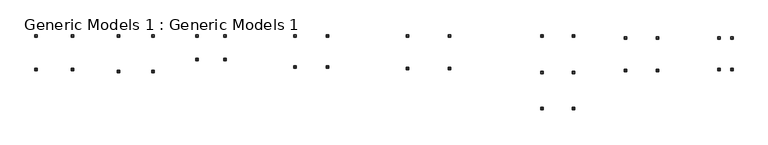
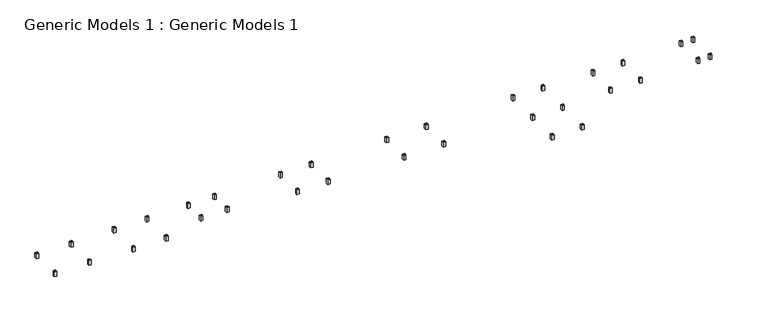
"""IFC4 building model written with IfcOpenShell, lengths in millimetres: proxy geometry, Generic Models 1 : Generic Models 1."""

from ifc_helpers import new_model, si_unit, frame, origin, place, context, project, spatial, polyline, outline, extrude, source, transform, mapped, element, save


def generic_models_1_generic_models_1_7494584e(model_context):
    return source(origin(), model_context, "Body", "SweptSolid", [
        extrude(outline(polyline([(113567.1095298, 32830.4004512), (113567.1095298, 33338.4004512), (114075.1095298, 33338.4004512), (114075.1095298, 32830.4004512), (113567.1095298, 32830.4004512)]), holes=[polyline([(113973.5095298, 32930.7504512), (113973.5095298, 32946.1504512), (113826.0595298, 32946.1504512), (113826.0595298, 33222.6504512), (113973.5095298, 33222.6504512), (113973.5095298, 33238.0504512), (113668.7095298, 33238.0504512), (113668.7095298, 33222.6504512), (113816.1595298, 33222.6504512), (113816.1595298, 32946.1504512), (113668.7095298, 32946.1504512), (113668.7095298, 32930.7504512), (113973.5095298, 32930.7504512)])]), frame((0.0, 0.0, -1851.0), z_axis=(0.0, 0.0, 1.0), x_axis=(1.0, 0.0, 0.0)), (0.0, 0.0, 1.0), 1093.1),
        extrude(outline(polyline([(113567.1095298, 39212.6754512), (113567.1095298, 39720.6754512), (114075.1095298, 39720.6754512), (114075.1095298, 39212.6754512), (113567.1095298, 39212.6754512)]), holes=[polyline([(113973.5095298, 39313.0254512), (113973.5095298, 39328.4254512), (113826.0595298, 39328.4254512), (113826.0595298, 39604.9254512), (113973.5095298, 39604.9254512), (113973.5095298, 39620.3254512), (113668.7095298, 39620.3254512), (113668.7095298, 39604.9254512), (113816.1595298, 39604.9254512), (113816.1595298, 39328.4254512), (113668.7095298, 39328.4254512), (113668.7095298, 39313.0254512), (113973.5095298, 39313.0254512)])]), frame((0.0, 0.0, -1851.0), z_axis=(0.0, 0.0, 1.0), x_axis=(1.0, 0.0, 0.0)), (0.0, 0.0, 1.0), 1093.1),
        extrude(outline(polyline([(116169.259313, 32830.4004512), (116169.259313, 33338.4004512), (116677.259313, 33338.4004512), (116677.259313, 32830.4004512), (116169.259313, 32830.4004512)]), holes=[polyline([(116575.659313, 32930.7504512), (116575.659313, 32946.1504512), (116428.209313, 32946.1504512), (116428.209313, 33222.6504512), (116575.659313, 33222.6504512), (116575.659313, 33238.0504512), (116270.859313, 33238.0504512), (116270.859313, 33222.6504512), (116418.309313, 33222.6504512), (116418.309313, 32946.1504512), (116270.859313, 32946.1504512), (116270.859313, 32930.7504512), (116575.659313, 32930.7504512)])]), frame((0.0, 0.0, -1851.0), z_axis=(0.0, 0.0, 1.0), x_axis=(1.0, 0.0, 0.0)), (0.0, 0.0, 1.0), 1093.1),
        extrude(outline(polyline([(116168.2938188, 39212.6754512), (116168.2938188, 39720.6754512), (116676.2938188, 39720.6754512), (116676.2938188, 39212.6754512), (116168.2938188, 39212.6754512)]), holes=[polyline([(116574.6938188, 39313.0254512), (116574.6938188, 39328.4254512), (116427.2438188, 39328.4254512), (116427.2438188, 39604.9254512), (116574.6938188, 39604.9254512), (116574.6938188, 39620.3254512), (116269.8938188, 39620.3254512), (116269.8938188, 39604.9254512), (116417.3438188, 39604.9254512), (116417.3438188, 39328.4254512), (116269.8938188, 39328.4254512), (116269.8938188, 39313.0254512), (116574.6938188, 39313.0254512)])]), frame((0.0, 0.0, -1851.0), z_axis=(0.0, 0.0, 1.0), x_axis=(1.0, 0.0, 0.0)), (0.0, 0.0, 1.0), 1093.1),
        extrude(outline(polyline([(94514.7730505, 32668.3351495), (94514.7730505, 33176.3351495), (95022.7730505, 33176.3351495), (95022.7730505, 32668.3351495), (94514.7730505, 32668.3351495)]), holes=[polyline([(94921.1730505, 32768.6851495), (94921.1730505, 32784.0851495), (94773.7230505, 32784.0851495), (94773.7230505, 33060.5851495), (94921.1730505, 33060.5851495), (94921.1730505, 33075.9851495), (94616.3730505, 33075.9851495), (94616.3730505, 33060.5851495), (94763.8230505, 33060.5851495), (94763.8230505, 32784.0851495), (94616.3730505, 32784.0851495), (94616.3730505, 32768.6851495), (94921.1730505, 32768.6851495)])]), frame((0.0, 0.0, -1851.0), z_axis=(0.0, 0.0, 1.0), x_axis=(1.0, 0.0, 0.0)), (0.0, 0.0, 1.0), 1093.1),
        extrude(outline(polyline([(94514.7730505, 39212.6754512), (94514.7730505, 39720.6754512), (95022.7730505, 39720.6754512), (95022.7730505, 39212.6754512), (94514.7730505, 39212.6754512)]), holes=[polyline([(94921.1730505, 39313.0254512), (94921.1730505, 39328.4254512), (94773.7230505, 39328.4254512), (94773.7230505, 39604.9254512), (94921.1730505, 39604.9254512), (94921.1730505, 39620.3254512), (94616.3730505, 39620.3254512), (94616.3730505, 39604.9254512), (94763.8230505, 39604.9254512), (94763.8230505, 39328.4254512), (94616.3730505, 39328.4254512), (94616.3730505, 39313.0254512), (94921.1730505, 39313.0254512)])]), frame((0.0, 0.0, -1851.0), z_axis=(0.0, 0.0, 1.0), x_axis=(1.0, 0.0, 0.0)), (0.0, 0.0, 1.0), 1093.1),
        extrude(outline(polyline([(100994.3135447, 32668.3351495), (100994.3135447, 33176.3351495), (101502.3135447, 33176.3351495), (101502.3135447, 32668.3351495), (100994.3135447, 32668.3351495)]), holes=[polyline([(101400.7135447, 32768.6851495), (101400.7135447, 32784.0851495), (101253.2635447, 32784.0851495), (101253.2635447, 33060.5851495), (101400.7135447, 33060.5851495), (101400.7135447, 33075.9851495), (101095.9135447, 33075.9851495), (101095.9135447, 33060.5851495), (101243.3635447, 33060.5851495), (101243.3635447, 32784.0851495), (101095.9135447, 32784.0851495), (101095.9135447, 32768.6851495), (101400.7135447, 32768.6851495)])]), frame((0.0, 0.0, -1851.0), z_axis=(0.0, 0.0, 1.0), x_axis=(1.0, 0.0, 0.0)), (0.0, 0.0, 1.0), 1093.1),
        extrude(outline(polyline([(100993.3480505, 39212.6754512), (100993.3480505, 39720.6754512), (101501.3480505, 39720.6754512), (101501.3480505, 39212.6754512), (100993.3480505, 39212.6754512)]), holes=[polyline([(101399.7480505, 39313.0254512), (101399.7480505, 39328.4254512), (101252.2980505, 39328.4254512), (101252.2980505, 39604.9254512), (101399.7480505, 39604.9254512), (101399.7480505, 39620.3254512), (101094.9480505, 39620.3254512), (101094.9480505, 39604.9254512), (101242.3980505, 39604.9254512), (101242.3980505, 39328.4254512), (101094.9480505, 39328.4254512), (101094.9480505, 39313.0254512), (101399.7480505, 39313.0254512)])]), frame((0.0, 0.0, -1851.0), z_axis=(0.0, 0.0, 1.0), x_axis=(1.0, 0.0, 0.0)), (0.0, 0.0, 1.0), 1093.1),
        extrude(outline(polyline([(77446.4191379, 32266.9274513), (77446.4191379, 32774.9274513), (77954.4191379, 32774.9274513), (77954.4191379, 32266.9274513), (77446.4191379, 32266.9274513)]), holes=[polyline([(77852.8191379, 32367.2774513), (77852.8191379, 32382.6774513), (77705.3691379, 32382.6774513), (77705.3691379, 32659.1774513), (77852.8191379, 32659.1774513), (77852.8191379, 32674.5774513), (77548.0191379, 32674.5774513), (77548.0191379, 32659.1774513), (77695.4691379, 32659.1774513), (77695.4691379, 32382.6774513), (77548.0191379, 32382.6774513), (77548.0191379, 32367.2774513), (77852.8191379, 32367.2774513)])]), frame((0.0, 0.0, -1851.0), z_axis=(0.0, 0.0, 1.0), x_axis=(1.0, 0.0, 0.0)), (0.0, 0.0, 1.0), 1093.1),
        extrude(outline(polyline([(77446.4191379, 39637.2254512), (77446.4191379, 40145.2254512), (77954.4191379, 40145.2254512), (77954.4191379, 39637.2254512), (77446.4191379, 39637.2254512)]), holes=[polyline([(77852.8191379, 39737.5754512), (77852.8191379, 39752.9754512), (77705.3691379, 39752.9754512), (77705.3691379, 40029.4754512), (77852.8191379, 40029.4754512), (77852.8191379, 40044.8754512), (77548.0191379, 40044.8754512), (77548.0191379, 40029.4754512), (77695.4691379, 40029.4754512), (77695.4691379, 39752.9754512), (77548.0191379, 39752.9754512), (77548.0191379, 39737.5754512), (77852.8191379, 39737.5754512)])]), frame((0.0, 0.0, -1851.0), z_axis=(0.0, 0.0, 1.0), x_axis=(1.0, 0.0, 0.0)), (0.0, 0.0, 1.0), 1093.1),
        extrude(outline(polyline([(83925.0566379, 32266.9274513), (83925.0566379, 32774.9274513), (84433.0566379, 32774.9274513), (84433.0566379, 32266.9274513), (83925.0566379, 32266.9274513)]), holes=[polyline([(84331.4566379, 32367.2774513), (84331.4566379, 32382.6774513), (84184.0066379, 32382.6774513), (84184.0066379, 32659.1774513), (84331.4566379, 32659.1774513), (84331.4566379, 32674.5774513), (84026.6566379, 32674.5774513), (84026.6566379, 32659.1774513), (84174.1066379, 32659.1774513), (84174.1066379, 32382.6774513), (84026.6566379, 32382.6774513), (84026.6566379, 32367.2774513), (84331.4566379, 32367.2774513)])]), frame((0.0, 0.0, -1851.0), z_axis=(0.0, 0.0, 1.0), x_axis=(1.0, 0.0, 0.0)), (0.0, 0.0, 1.0), 1093.1),
        extrude(outline(polyline([(83925.0566379, 39637.2254512), (83925.0566379, 40145.2254512), (84433.0566379, 40145.2254512), (84433.0566379, 39637.2254512), (83925.0566379, 39637.2254512)]), holes=[polyline([(84331.4566379, 39737.5754512), (84331.4566379, 39752.9754512), (84184.0066379, 39752.9754512), (84184.0066379, 40029.4754512), (84331.4566379, 40029.4754512), (84331.4566379, 40044.8754512), (84026.6566379, 40044.8754512), (84026.6566379, 40029.4754512), (84174.1066379, 40029.4754512), (84174.1066379, 39752.9754512), (84026.6566379, 39752.9754512), (84026.6566379, 39737.5754512), (84331.4566379, 39737.5754512)])]), frame((0.0, 0.0, -1851.0), z_axis=(0.0, 0.0, 1.0), x_axis=(1.0, 0.0, 0.0)), (0.0, 0.0, 1.0), 1093.1),
        extrude(outline(polyline([(77446.4191379, 24896.6294514), (77446.4191379, 25404.6294514), (77954.4191379, 25404.6294514), (77954.4191379, 24896.6294514), (77446.4191379, 24896.6294514)]), holes=[polyline([(77852.8191379, 24996.9794514), (77852.8191379, 25012.3794514), (77705.3691379, 25012.3794514), (77705.3691379, 25288.8794514), (77852.8191379, 25288.8794514), (77852.8191379, 25304.2794514), (77548.0191379, 25304.2794514), (77548.0191379, 25288.8794514), (77695.4691379, 25288.8794514), (77695.4691379, 25012.3794514), (77548.0191379, 25012.3794514), (77548.0191379, 24996.9794514), (77852.8191379, 24996.9794514)])]), frame((0.0, 0.0, -1851.0), z_axis=(0.0, 0.0, 1.0), x_axis=(1.0, 0.0, 0.0)), (0.0, 0.0, 1.0), 1093.1),
        extrude(outline(polyline([(83925.0566379, 24896.6294514), (83925.0566379, 25404.6294514), (84433.0566379, 25404.6294514), (84433.0566379, 24896.6294514), (83925.0566379, 24896.6294514)]), holes=[polyline([(84331.4566379, 24996.9794514), (84331.4566379, 25012.3794514), (84184.0066379, 25012.3794514), (84184.0066379, 25288.8794514), (84331.4566379, 25288.8794514), (84331.4566379, 25304.2794514), (84026.6566379, 25304.2794514), (84026.6566379, 25288.8794514), (84174.1066379, 25288.8794514), (84174.1066379, 25012.3794514), (84026.6566379, 25012.3794514), (84026.6566379, 24996.9794514), (84331.4566379, 24996.9794514)])]), frame((0.0, 0.0, -1851.0), z_axis=(0.0, 0.0, 1.0), x_axis=(1.0, 0.0, 0.0)), (0.0, 0.0, 1.0), 1093.1),
        extrude(outline(polyline([(50083.376291, 33072.2129511), (50083.376291, 33580.2129511), (50591.376291, 33580.2129511), (50591.376291, 33072.2129511), (50083.376291, 33072.2129511)]), holes=[polyline([(50489.776291, 33172.5629511), (50489.776291, 33187.9629511), (50342.326291, 33187.9629511), (50342.326291, 33464.4629511), (50489.776291, 33464.4629511), (50489.776291, 33479.8629511), (50184.976291, 33479.8629511), (50184.976291, 33464.4629511), (50332.426291, 33464.4629511), (50332.426291, 33187.9629511), (50184.976291, 33187.9629511), (50184.976291, 33172.5629511), (50489.776291, 33172.5629511)])]), frame((0.0, 0.0, -1851.0), z_axis=(0.0, 0.0, 1.0), x_axis=(1.0, 0.0, 0.0)), (0.0, 0.0, 1.0), 1093.1),
        extrude(outline(polyline([(50083.376291, 39621.3504512), (50083.376291, 40129.3504512), (50591.376291, 40129.3504512), (50591.376291, 39621.3504512), (50083.376291, 39621.3504512)]), holes=[polyline([(50489.776291, 39721.7004512), (50489.776291, 39737.1004512), (50342.326291, 39737.1004512), (50342.326291, 40013.6004512), (50489.776291, 40013.6004512), (50489.776291, 40029.0004512), (50184.976291, 40029.0004512), (50184.976291, 40013.6004512), (50332.426291, 40013.6004512), (50332.426291, 39737.1004512), (50184.976291, 39737.1004512), (50184.976291, 39721.7004512), (50489.776291, 39721.7004512)])]), frame((0.0, 0.0, -1851.0), z_axis=(0.0, 0.0, 1.0), x_axis=(1.0, 0.0, 0.0)), (0.0, 0.0, 1.0), 1093.1),
        extrude(outline(polyline([(58657.319788, 33072.2129511), (58657.319788, 33580.2129511), (59165.319788, 33580.2129511), (59165.319788, 33072.2129511), (58657.319788, 33072.2129511)]), holes=[polyline([(59063.719788, 33172.5629511), (59063.719788, 33187.9629511), (58916.269788, 33187.9629511), (58916.269788, 33464.4629511), (59063.719788, 33464.4629511), (59063.719788, 33479.8629511), (58758.919788, 33479.8629511), (58758.919788, 33464.4629511), (58906.369788, 33464.4629511), (58906.369788, 33187.9629511), (58758.919788, 33187.9629511), (58758.919788, 33172.5629511), (59063.719788, 33172.5629511)])]), frame((0.0, 0.0, -1851.0), z_axis=(0.0, 0.0, 1.0), x_axis=(1.0, 0.0, 0.0)), (0.0, 0.0, 1.0), 1093.1),
        extrude(outline(polyline([(58657.319788, 39621.3504512), (58657.319788, 40129.3504512), (59165.319788, 40129.3504512), (59165.319788, 39621.3504512), (58657.319788, 39621.3504512)]), holes=[polyline([(59063.719788, 39721.7004512), (59063.719788, 39737.1004512), (58916.269788, 39737.1004512), (58916.269788, 40013.6004512), (59063.719788, 40013.6004512), (59063.719788, 40029.0004512), (58758.919788, 40029.0004512), (58758.919788, 40013.6004512), (58906.369788, 40013.6004512), (58906.369788, 39737.1004512), (58758.919788, 39737.1004512), (58758.919788, 39721.7004512), (59063.719788, 39721.7004512)])]), frame((0.0, 0.0, -1851.0), z_axis=(0.0, 0.0, 1.0), x_axis=(1.0, 0.0, 0.0)), (0.0, 0.0, 1.0), 1093.1),
        extrude(outline(polyline([(27137.1132687, 33316.8629511), (27137.1132687, 33824.8629511), (27645.1132687, 33824.8629511), (27645.1132687, 33316.8629511), (27137.1132687, 33316.8629511)]), holes=[polyline([(27543.5132687, 33417.2129511), (27543.5132687, 33432.6129511), (27396.0632687, 33432.6129511), (27396.0632687, 33709.1129511), (27543.5132687, 33709.1129511), (27543.5132687, 33724.5129511), (27238.7132687, 33724.5129511), (27238.7132687, 33709.1129511), (27386.1632687, 33709.1129511), (27386.1632687, 33432.6129511), (27238.7132687, 33432.6129511), (27238.7132687, 33417.2129511), (27543.5132687, 33417.2129511)])]), frame((0.0, 0.0, -1851.0), z_axis=(0.0, 0.0, 1.0), x_axis=(1.0, 0.0, 0.0)), (0.0, 0.0, 1.0), 1093.1),
        extrude(outline(polyline([(27137.1132687, 39631.6061881), (27137.1132687, 40139.6061881), (27645.1132687, 40139.6061881), (27645.1132687, 39631.6061881), (27137.1132687, 39631.6061881)]), holes=[polyline([(27543.5132687, 39731.9561881), (27543.5132687, 39747.3561881), (27396.0632687, 39747.3561881), (27396.0632687, 40023.8561881), (27543.5132687, 40023.8561881), (27543.5132687, 40039.2561881), (27238.7132687, 40039.2561881), (27238.7132687, 40023.8561881), (27386.1632687, 40023.8561881), (27386.1632687, 39747.3561881), (27238.7132687, 39747.3561881), (27238.7132687, 39731.9561881), (27543.5132687, 39731.9561881)])]), frame((0.0, 0.0, -1851.0), z_axis=(0.0, 0.0, 1.0), x_axis=(1.0, 0.0, 0.0)), (0.0, 0.0, 1.0), 1093.1),
        extrude(outline(polyline([(33784.8725402, 33316.8629511), (33784.8725402, 33824.8629511), (34292.8725402, 33824.8629511), (34292.8725402, 33316.8629511), (33784.8725402, 33316.8629511)]), holes=[polyline([(34191.2725402, 33417.2129511), (34191.2725402, 33432.6129511), (34043.8225402, 33432.6129511), (34043.8225402, 33709.1129511), (34191.2725402, 33709.1129511), (34191.2725402, 33724.5129511), (33886.4725402, 33724.5129511), (33886.4725402, 33709.1129511), (34033.9225402, 33709.1129511), (34033.9225402, 33432.6129511), (33886.4725402, 33432.6129511), (33886.4725402, 33417.2129511), (34191.2725402, 33417.2129511)])]), frame((0.0, 0.0, -1851.0), z_axis=(0.0, 0.0, 1.0), x_axis=(1.0, 0.0, 0.0)), (0.0, 0.0, 1.0), 1093.1),
        extrude(outline(polyline([(33784.8725402, 39632.7561881), (33784.8725402, 40140.7561881), (34292.8725402, 40140.7561881), (34292.8725402, 39632.7561881), (33784.8725402, 39632.7561881)]), holes=[polyline([(34191.2725402, 39733.1061881), (34191.2725402, 39748.5061881), (34043.8225402, 39748.5061881), (34043.8225402, 40025.0061881), (34191.2725402, 40025.0061881), (34191.2725402, 40040.4061881), (33886.4725402, 40040.4061881), (33886.4725402, 40025.0061881), (34033.9225402, 40025.0061881), (34033.9225402, 39748.5061881), (33886.4725402, 39748.5061881), (33886.4725402, 39733.1061881), (34191.2725402, 39733.1061881)])]), frame((0.0, 0.0, -1851.0), z_axis=(0.0, 0.0, 1.0), x_axis=(1.0, 0.0, 0.0)), (0.0, 0.0, 1.0), 1093.1),
        extrude(outline(polyline([(7175.6976331, 34879.5254512), (7175.6976331, 35387.5254512), (7683.6976331, 35387.5254512), (7683.6976331, 34879.5254512), (7175.6976331, 34879.5254512)]), holes=[polyline([(7582.0976331, 34979.8754512), (7582.0976331, 34995.2754512), (7434.6476331, 34995.2754512), (7434.6476331, 35271.7754512), (7582.0976331, 35271.7754512), (7582.0976331, 35287.1754512), (7277.2976331, 35287.1754512), (7277.2976331, 35271.7754512), (7424.7476331, 35271.7754512), (7424.7476331, 34995.2754512), (7277.2976331, 34995.2754512), (7277.2976331, 34979.8754512), (7582.0976331, 34979.8754512)])]), frame((0.0, 0.0, -1851.0), z_axis=(0.0, 0.0, 1.0), x_axis=(1.0, 0.0, 0.0)), (0.0, 0.0, 1.0), 1093.1),
        extrude(outline(polyline([(7175.6976331, 39631.6061881), (7175.6976331, 40139.6061881), (7683.6976331, 40139.6061881), (7683.6976331, 39631.6061881), (7175.6976331, 39631.6061881)]), holes=[polyline([(7582.0976331, 39731.9561881), (7582.0976331, 39747.3561881), (7434.6476331, 39747.3561881), (7434.6476331, 40023.8561881), (7582.0976331, 40023.8561881), (7582.0976331, 40039.2561881), (7277.2976331, 40039.2561881), (7277.2976331, 40023.8561881), (7424.7476331, 40023.8561881), (7424.7476331, 39747.3561881), (7277.2976331, 39747.3561881), (7277.2976331, 39731.9561881), (7582.0976331, 39731.9561881)])]), frame((0.0, 0.0, -1851.0), z_axis=(0.0, 0.0, 1.0), x_axis=(1.0, 0.0, 0.0)), (0.0, 0.0, 1.0), 1093.1),
        extrude(outline(polyline([(12839.0318324, 34879.5254512), (12839.0318324, 35387.5254512), (13347.0318324, 35387.5254512), (13347.0318324, 34879.5254512), (12839.0318324, 34879.5254512)]), holes=[polyline([(13245.4318324, 34979.8754512), (13245.4318324, 34995.2754512), (13097.9818324, 34995.2754512), (13097.9818324, 35271.7754512), (13245.4318324, 35271.7754512), (13245.4318324, 35287.1754512), (12940.6318324, 35287.1754512), (12940.6318324, 35271.7754512), (13088.0818324, 35271.7754512), (13088.0818324, 34995.2754512), (12940.6318324, 34995.2754512), (12940.6318324, 34979.8754512), (13245.4318324, 34979.8754512)])]), frame((0.0, 0.0, -1851.0), z_axis=(0.0, 0.0, 1.0), x_axis=(1.0, 0.0, 0.0)), (0.0, 0.0, 1.0), 1093.1),
        extrude(outline(polyline([(12839.0318324, 39631.6061881), (12839.0318324, 40139.6061881), (13347.0318324, 40139.6061881), (13347.0318324, 39631.6061881), (12839.0318324, 39631.6061881)]), holes=[polyline([(13245.4318324, 39731.9561881), (13245.4318324, 39747.3561881), (13097.9818324, 39747.3561881), (13097.9818324, 40023.8561881), (13245.4318324, 40023.8561881), (13245.4318324, 40039.2561881), (12940.6318324, 40039.2561881), (12940.6318324, 40023.8561881), (13088.0818324, 40023.8561881), (13088.0818324, 39747.3561881), (12940.6318324, 39747.3561881), (12940.6318324, 39731.9561881), (13245.4318324, 39731.9561881)])]), frame((0.0, 0.0, -1851.0), z_axis=(0.0, 0.0, 1.0), x_axis=(1.0, 0.0, 0.0)), (0.0, 0.0, 1.0), 1093.1),
        extrude(outline(polyline([(-8868.88127, 32447.3523911), (-8868.88127, 32955.3523911), (-8360.88127, 32955.3523911), (-8360.88127, 32447.3523911), (-8868.88127, 32447.3523911)]), holes=[polyline([(-8462.48127, 32547.7023911), (-8462.48127, 32563.1023911), (-8609.93127, 32563.1023911), (-8609.93127, 32839.6023911), (-8462.48127, 32839.6023911), (-8462.48127, 32855.0023911), (-8767.28127, 32855.0023911), (-8767.28127, 32839.6023911), (-8619.83127, 32839.6023911), (-8619.83127, 32563.1023911), (-8767.28127, 32563.1023911), (-8767.28127, 32547.7023911), (-8462.48127, 32547.7023911)])]), frame((0.0, 0.0, -1851.0), z_axis=(0.0, 0.0, 1.0), x_axis=(1.0, 0.0, 0.0)), (0.0, 0.0, 1.0), 1093.1),
        extrude(outline(polyline([(-8868.88127, 39631.6061881), (-8868.88127, 40139.6061881), (-8360.88127, 40139.6061881), (-8360.88127, 39631.6061881), (-8868.88127, 39631.6061881)]), holes=[polyline([(-8462.48127, 39731.9561881), (-8462.48127, 39747.3561881), (-8609.93127, 39747.3561881), (-8609.93127, 40023.8561881), (-8462.48127, 40023.8561881), (-8462.48127, 40039.2561881), (-8767.28127, 40039.2561881), (-8767.28127, 40023.8561881), (-8619.83127, 40023.8561881), (-8619.83127, 39747.3561881), (-8767.28127, 39747.3561881), (-8767.28127, 39731.9561881), (-8462.48127, 39731.9561881)])]), frame((0.0, 0.0, -1851.0), z_axis=(0.0, 0.0, 1.0), x_axis=(1.0, 0.0, 0.0)), (0.0, 0.0, 1.0), 1093.1),
        extrude(outline(polyline([(-1776.7472353, 32447.3523911), (-1776.7472353, 32955.3523911), (-1268.7472353, 32955.3523911), (-1268.7472353, 32447.3523911), (-1776.7472353, 32447.3523911)]), holes=[polyline([(-1370.3472353, 32547.7023911), (-1370.3472353, 32563.1023911), (-1517.7972353, 32563.1023911), (-1517.7972353, 32839.6023911), (-1370.3472353, 32839.6023911), (-1370.3472353, 32855.0023911), (-1675.1472353, 32855.0023911), (-1675.1472353, 32839.6023911), (-1527.6972353, 32839.6023911), (-1527.6972353, 32563.1023911), (-1675.1472353, 32563.1023911), (-1675.1472353, 32547.7023911), (-1370.3472353, 32547.7023911)])]), frame((0.0, 0.0, -1851.0), z_axis=(0.0, 0.0, 1.0), x_axis=(1.0, 0.0, 0.0)), (0.0, 0.0, 1.0), 1093.1),
        extrude(outline(polyline([(-1776.7472353, 39631.6061881), (-1776.7472353, 40139.6061881), (-1268.7472353, 40139.6061881), (-1268.7472353, 39631.6061881), (-1776.7472353, 39631.6061881)]), holes=[polyline([(-1370.3472353, 39731.9561881), (-1370.3472353, 39747.3561881), (-1517.7972353, 39747.3561881), (-1517.7972353, 40023.8561881), (-1370.3472353, 40023.8561881), (-1370.3472353, 40039.2561881), (-1675.1472353, 40039.2561881), (-1675.1472353, 40023.8561881), (-1527.6972353, 40023.8561881), (-1527.6972353, 39747.3561881), (-1675.1472353, 39747.3561881), (-1675.1472353, 39731.9561881), (-1370.3472353, 39731.9561881)])]), frame((0.0, 0.0, -1851.0), z_axis=(0.0, 0.0, 1.0), x_axis=(1.0, 0.0, 0.0)), (0.0, 0.0, 1.0), 1093.1),
        extrude(outline(polyline([(-25644.1621132, 32804.7504512), (-25644.1621132, 33312.7504512), (-25136.1621132, 33312.7504512), (-25136.1621132, 32804.7504512), (-25644.1621132, 32804.7504512)]), holes=[polyline([(-25237.7621132, 32905.1004512), (-25237.7621132, 32920.5004512), (-25385.2121132, 32920.5004512), (-25385.2121132, 33197.0004512), (-25237.7621132, 33197.0004512), (-25237.7621132, 33212.4004512), (-25542.5621132, 33212.4004512), (-25542.5621132, 33197.0004512), (-25395.1121132, 33197.0004512), (-25395.1121132, 32920.5004512), (-25542.5621132, 32920.5004512), (-25542.5621132, 32905.1004512), (-25237.7621132, 32905.1004512)])]), frame((0.0, 0.0, -1851.0), z_axis=(0.0, 0.0, 1.0), x_axis=(1.0, 0.0, 0.0)), (0.0, 0.0, 1.0), 1093.1),
        extrude(outline(polyline([(-25644.1621132, 39632.5022285), (-25644.1621132, 40140.5022285), (-25136.1621132, 40140.5022285), (-25136.1621132, 39632.5022285), (-25644.1621132, 39632.5022285)]), holes=[polyline([(-25237.7621132, 39732.8522285), (-25237.7621132, 39748.2522285), (-25385.2121132, 39748.2522285), (-25385.2121132, 40024.7522285), (-25237.7621132, 40024.7522285), (-25237.7621132, 40040.1522285), (-25542.5621132, 40040.1522285), (-25542.5621132, 40024.7522285), (-25395.1121132, 40024.7522285), (-25395.1121132, 39748.2522285), (-25542.5621132, 39748.2522285), (-25542.5621132, 39732.8522285), (-25237.7621132, 39732.8522285)])]), frame((0.0, 0.0, -1851.0), z_axis=(0.0, 0.0, 1.0), x_axis=(1.0, 0.0, 0.0)), (0.0, 0.0, 1.0), 1093.1),
        extrude(outline(polyline([(-18185.546546, 32804.7504512), (-18185.546546, 33312.7504512), (-17677.546546, 33312.7504512), (-17677.546546, 32804.7504512), (-18185.546546, 32804.7504512)]), holes=[polyline([(-17779.146546, 32905.1004512), (-17779.146546, 32920.5004512), (-17926.596546, 32920.5004512), (-17926.596546, 33197.0004512), (-17779.146546, 33197.0004512), (-17779.146546, 33212.4004512), (-18083.946546, 33212.4004512), (-18083.946546, 33197.0004512), (-17936.496546, 33197.0004512), (-17936.496546, 32920.5004512), (-18083.946546, 32920.5004512), (-18083.946546, 32905.1004512), (-17779.146546, 32905.1004512)])]), frame((0.0, 0.0, -1851.0), z_axis=(0.0, 0.0, 1.0), x_axis=(1.0, 0.0, 0.0)), (0.0, 0.0, 1.0), 1093.1),
        extrude(outline(polyline([(-18185.546546, 39632.5022285), (-18185.546546, 40140.5022285), (-17677.546546, 40140.5022285), (-17677.546546, 39632.5022285), (-18185.546546, 39632.5022285)]), holes=[polyline([(-17779.146546, 39732.8522285), (-17779.146546, 39748.2522285), (-17926.596546, 39748.2522285), (-17926.596546, 40024.7522285), (-17779.146546, 40024.7522285), (-17779.146546, 40040.1522285), (-18083.946546, 40040.1522285), (-18083.946546, 40024.7522285), (-17936.496546, 40024.7522285), (-17936.496546, 39748.2522285), (-18083.946546, 39748.2522285), (-18083.946546, 39732.8522285), (-17779.146546, 39732.8522285)])]), frame((0.0, 0.0, -1851.0), z_axis=(0.0, 0.0, 1.0), x_axis=(1.0, 0.0, 0.0)), (0.0, 0.0, 1.0), 1093.1),
    ])


if __name__ == "__main__":
    model = new_model("IFC4")
    model_context = context("Model", 3, world=origin())
    ifc_project = project(units=[si_unit("LENGTHUNIT", "METRE", prefix="MILLI")], contexts=[model_context])
    site = spatial("IfcSite", under=ifc_project)
    building = spatial("IfcBuilding", under=site)
    placement = place(None, origin())
    generic_models_1_generic_models_1_shape = generic_models_1_generic_models_1_7494584e(model_context)
    element("IfcBuildingElementProxy", 1, Name="Generic Models 1 : Generic Models 1", ObjectType="Generic Models 1 : Generic Models 1", at=placement, inside=building, context=model_context, shape_type="MappedRepresentation", body=[
        mapped(generic_models_1_generic_models_1_shape, transform((0.0, 0.0, 0.0), x_axis=(1.0, 0.0, 0.0), y_axis=(0.0, 1.0, 0.0), z_axis=(0.0, 0.0, 1.0))),
    ])
    save(model, "model.ifc")
